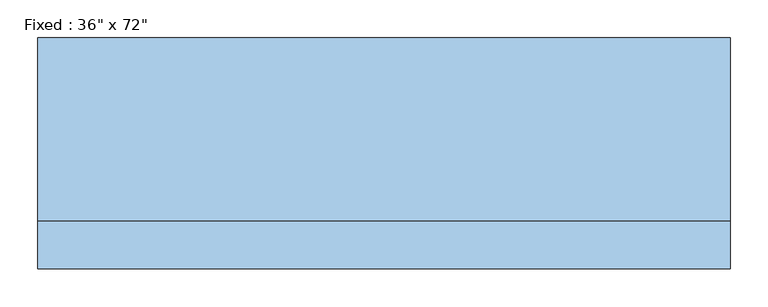
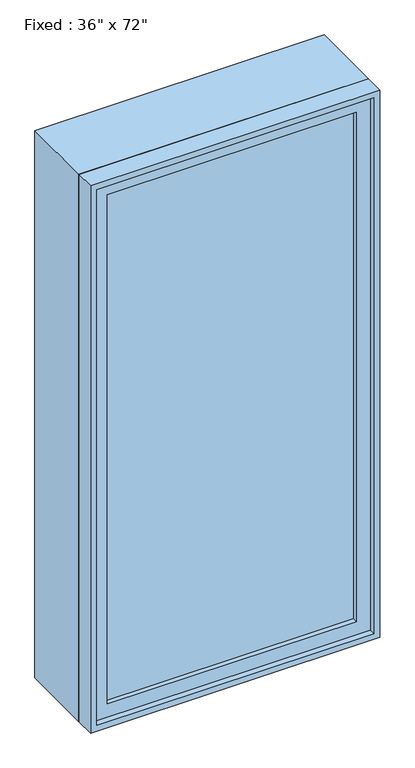
"""IFC4 building model written with IfcOpenShell, lengths in millimetres: window geometry."""

from ifc_helpers import new_model, si_unit, frame, origin, place, context, project, spatial, polyline, outline, extrude, source, transform, mapped, element, save


def window_9a1f8bc2(model_context):
    return source(origin(), model_context, "Body", "SweptSolid", [
        extrude(outline(polyline([(355.6, -104.775), (355.6, -117.475), (-431.8, -117.475), (-431.8, -104.775), (355.6, -104.775)])), frame((0.0, 0.0, 368.3), z_axis=(0.0, 0.0, 1.0), x_axis=(1.0, 0.0, 0.0)), (0.0, 0.0, 1.0), 1701.8),
        extrude(outline(polyline([(2114.55, -476.25), (323.85, -476.25), (323.85, 400.05), (2114.55, 400.05), (2114.55, -476.25)]), holes=[polyline([(2070.1, -431.8), (2070.1, 355.6), (368.3, 355.6), (368.3, -431.8), (2070.1, -431.8)])]), frame((0.0, -133.35, 0.0), z_axis=(0.0, 1.0, 0.0), x_axis=(0.0, 0.0, 1.0)), (0.0, 0.0, 1.0), 44.45),
        extrude(outline(polyline([(2133.6, -495.3), (304.8, -495.3), (304.8, 419.1), (2133.6, 419.1), (2133.6, -495.3)]), holes=[polyline([(2101.85, -463.55), (2101.85, 387.35), (336.55, 387.35), (336.55, -463.55), (2101.85, -463.55)])]), frame((0.0, -88.9, 0.0), z_axis=(0.0, 1.0, 0.0), x_axis=(0.0, 0.0, 1.0)), (0.0, 0.0, 1.0), 241.3),
        extrude(outline(polyline([(2133.6, 419.1), (2133.6, -495.3), (304.8, -495.3), (304.8, 419.1), (2133.6, 419.1)]), holes=[polyline([(2114.55, 400.05), (323.85, 400.05), (323.85, -476.25), (2114.55, -476.25), (2114.55, 400.05)])]), frame((0.0, -152.4, 0.0), z_axis=(0.0, 1.0, 0.0), x_axis=(0.0, 0.0, 1.0)), (0.0, 0.0, 1.0), 63.5),
    ])


if __name__ == "__main__":
    model = new_model("IFC4")
    model_context = context("Model", 3, world=origin())
    ifc_project = project(units=[si_unit("LENGTHUNIT", "METRE", prefix="MILLI")], contexts=[model_context])
    site = spatial("IfcSite", under=ifc_project)
    building = spatial("IfcBuilding", under=site)
    placement = place(None, origin())
    window_shape = window_9a1f8bc2(model_context)
    element("IfcWindow", 1, ObjectType="Fixed : 36\" x 72\"", at=placement, inside=building, context=model_context, shape_type="MappedRepresentation", body=[
        mapped(window_shape, transform((0.0, 0.0, 0.0), x_axis=(1.0, 0.0, 0.0), y_axis=(0.0, 1.0, 0.0), z_axis=(0.0, 0.0, 1.0))),
    ])
    save(model, "model.ifc")
